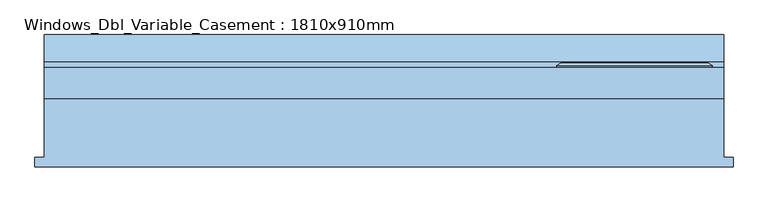
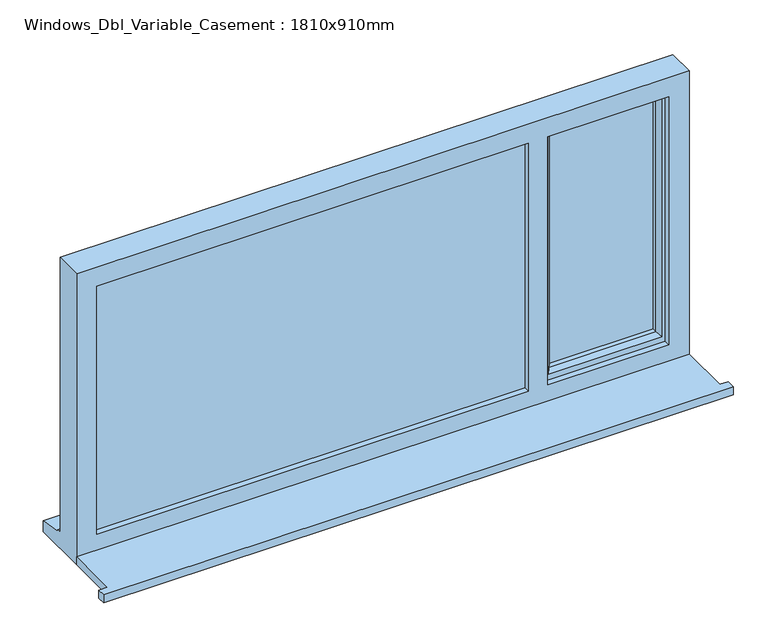
"""IFC4 building model written with IfcOpenShell, lengths in millimetres: window geometry, Windows_Dbl_Variable_Casement : 1810x910mm."""

from ifc_helpers import new_model, si_unit, frame, origin, place, context, project, spatial, polyline, outline, extrude, faceted_brep, source, transform, mapped, element, save


def windows_dbl_variable_casement_1810x910mm_0d547838(model_context):
    return source(origin(), model_context, "Body", "SolidModel", [
        extrude(outline(polyline([(-1215.0, -161.5434322), (-1215.0, -136.5434322), (-1190.0, -136.5434322), (-1190.0, 20.4565678), (620.0, 20.4565678), (620.0, -136.5434322), (645.0, -136.5434322), (645.0, -161.5434322), (-1215.0, -161.5434322)])), frame((0.0, 0.0, 1200.0), z_axis=(0.0, 0.0, 1.0), x_axis=(1.0, 0.0, 0.0)), (0.0, 0.0, 1.0), 25.0),
        extrude(outline(polyline([(550.0, 67.4565678), (215.0, 67.4565678), (215.0, 91.4565678), (550.0, 91.4565678), (550.0, 67.4565678)])), frame((0.0, 0.0, 1293.0), z_axis=(0.0, 0.0, 1.0), x_axis=(1.0, 0.0, 0.0)), (0.0, 0.0, 1.0), 747.0),
        extrude(outline(polyline([(-1150.0, 62.4565678), (155.0, 62.4565678), (155.0, 38.4565678), (-1150.0, 38.4565678), (-1150.0, 62.4565678)])), frame((0.0, 0.0, 1263.0), z_axis=(0.0, 0.0, 1.0), x_axis=(1.0, 0.0, 0.0)), (0.0, 0.0, 1.0), 807.0),
        faceted_brep([(620.0, 20.4565678, 2110.0), (-1190.0, 20.4565678, 2110.0), (-1190.0, 20.4565678, 1200.0), (620.0, 20.4565678, 1200.0), (560.0, 20.4565678, 2050.0), (560.0, 20.4565678, 1275.0), (203.0, 20.4565678, 1275.0), (203.0, 20.4565678, 2050.0), (145.0, 20.4565678, 2050.0), (145.0, 20.4565678, 1275.0), (-1130.0, 20.4565678, 1275.0), (-1130.0, 20.4565678, 2050.0), (-1190.0, 103.4565678, 2110.0), (-1190.0, 103.4565678, 1251.0), (-1190.0, 118.4565678, 1249.68767), (-1190.0, 118.4565678, 1244.7449676), (-1190.0, 190.9565678, 1233.8088847), (-1190.0, 190.9565678, 1200.0), (620.0, 103.4565678, 2110.0), (620.0, 103.4565678, 1251.0), (-1150.0, 103.4565678, 2070.0), (-1150.0, 103.4565678, 1263.0), (145.0, 103.4565678, 1263.0), (145.0, 103.4565678, 2070.0), (185.0, 103.4565678, 2070.0), (185.0, 103.4565678, 1263.0), (580.0, 103.4565678, 1263.0), (580.0, 103.4565678, 2070.0), (-1150.0, 38.4565678, 2070.0), (-1150.0, 38.4565678, 1263.0), (155.0, 38.4565678, 2070.0), (155.0, 38.4565678, 1263.0), (145.0, 38.4565678, 2050.0), (-1130.0, 38.4565678, 2050.0), (-1130.0, 38.4565678, 1275.0), (145.0, 38.4565678, 1275.0), (185.0, 38.4565678, 2070.0), (580.0, 38.4565678, 2070.0), (580.0, 38.4565678, 1263.0), (185.0, 38.4565678, 1263.0), (560.0, 38.4565678, 2050.0), (203.0, 38.4565678, 2050.0), (203.0, 38.4565678, 1275.0), (560.0, 38.4565678, 1275.0), (145.0, 62.4565678, 2070.0), (155.0, 62.4565678, 2070.0), (620.0, 190.9565678, 1200.0), (620.0, 190.9565678, 1233.8088847), (620.0, 118.4565678, 1244.7449676), (620.0, 118.4565678, 1249.68767), (155.0, 62.4565678, 1263.0), (145.0, 62.4565678, 1263.0)], [[[0, 1, 2, 3], [4, 5, 6, 7], [8, 9, 10, 11]], [[2, 1, 12, 13, 14, 15, 16, 17]], [[13, 12, 18, 19], [20, 21, 22, 23], [24, 25, 26, 27]], [[21, 20, 28, 29]], [[28, 30, 31, 29], [32, 33, 34, 35]], [[36, 37, 38, 39], [40, 41, 42, 43]], [[33, 11, 10, 34]], [[1, 0, 18, 12]], [[28, 20, 23, 44, 45, 30]], [[27, 37, 36, 24]], [[11, 33, 32, 8]], [[40, 4, 7, 41]], [[19, 18, 0, 3, 46, 47, 48, 49]], [[27, 26, 38, 37]], [[4, 40, 43, 5]], [[45, 50, 31, 30]], [[50, 45, 44, 51]], [[51, 44, 23, 22]], [[25, 24, 36, 39]], [[41, 7, 6, 42]], [[8, 32, 35, 9]], [[46, 3, 2, 17]], [[47, 46, 17, 16]], [[48, 47, 16, 15]], [[49, 48, 15, 14]], [[19, 49, 14, 13]], [[22, 21, 29, 31, 50, 51]], [[26, 25, 39, 38]], [[6, 5, 43, 42]], [[35, 34, 10, 9]]]),
        extrude(outline(polyline([(2050.0, 145.0), (2070.0, 145.0), (2070.0, -1150.0), (1263.0, -1150.0), (1263.0, 145.0), (1283.0, 145.0), (1283.0, -1130.0), (2050.0, -1130.0), (2050.0, 145.0)])), frame((0.0, 62.4565678, 0.0), z_axis=(0.0, 1.0, 0.0), x_axis=(0.0, 0.0, 1.0)), (0.0, 0.0, 1.0), 41.0),
        faceted_brep([(175.0, 103.4565678, 2080.0), (175.0, 109.2300705, 2080.0), (175.0, 109.2300705, 1253.0), (175.0, 103.4565678, 1253.0), (185.0, 38.4565678, 2070.0), (185.0, 103.4565678, 2070.0), (185.0, 103.4565678, 1263.0), (185.0, 38.4565678, 1263.0), (225.0, 52.9494677, 2030.0), (214.8519623, 38.4565678, 2040.1480377), (214.8519623, 38.4565678, 1292.8519623), (225.0, 52.9494677, 1303.0), (225.0, 67.4565678, 2030.0), (225.0, 67.4565678, 1303.0), (215.0, 91.4565678, 2040.0), (215.0, 67.4565678, 2040.0), (215.0, 67.4565678, 1293.0), (215.0, 91.4565678, 1293.0), (225.0, 109.2300705, 2030.0), (225.0, 91.4565678, 2030.0), (225.0, 91.4565678, 1303.0), (225.0, 109.2300705, 1303.0), (207.5542452, 115.0035732, 2047.4457548), (207.5542452, 115.0035732, 1285.5542452), (185.7846097, 115.0035732, 2069.2153903), (185.7846097, 115.0035732, 1263.7846097), (590.0, 109.2300705, 1253.0), (590.0, 103.4565678, 1253.0), (580.0, 103.4565678, 1263.0), (580.0, 38.4565678, 1263.0), (550.1480377, 38.4565678, 1292.8519623), (540.0, 52.9494677, 1303.0), (540.0, 67.4565678, 1303.0), (550.0, 67.4565678, 1293.0), (550.0, 91.4565678, 1293.0), (540.0, 91.4565678, 1303.0), (540.0, 109.2300705, 1303.0), (557.4457548, 115.0035732, 1285.5542452), (579.2153903, 115.0035732, 1263.7846097), (590.0, 109.2300705, 2080.0), (590.0, 103.4565678, 2080.0), (580.0, 103.4565678, 2070.0), (580.0, 38.4565678, 2070.0), (550.1480377, 38.4565678, 2040.1480377), (540.0, 52.9494677, 2030.0), (540.0, 67.4565678, 2030.0), (550.0, 67.4565678, 2040.0), (550.0, 91.4565678, 2040.0), (540.0, 91.4565678, 2030.0), (540.0, 109.2300705, 2030.0), (557.4457548, 115.0035732, 2047.4457548), (579.2153903, 115.0035732, 2069.2153903)], [[[0, 1, 2, 3]], [[4, 5, 6, 7]], [[8, 9, 10, 11]], [[12, 8, 11, 13]], [[14, 15, 16, 17]], [[18, 19, 20, 21]], [[22, 18, 21, 23]], [[1, 24, 25, 2]], [[3, 2, 26, 27]], [[7, 6, 28, 29]], [[11, 10, 30, 31]], [[13, 11, 31, 32]], [[17, 16, 33, 34]], [[21, 20, 35, 36]], [[23, 21, 36, 37]], [[2, 25, 38, 26]], [[27, 26, 39, 40]], [[29, 28, 41, 42]], [[31, 30, 43, 44]], [[32, 31, 44, 45]], [[34, 33, 46, 47]], [[36, 35, 48, 49]], [[37, 36, 49, 50]], [[26, 38, 51, 39]], [[40, 39, 1, 0]], [[3, 27, 40, 0], [5, 41, 28, 6]], [[42, 41, 5, 4]], [[7, 29, 42, 4], [9, 43, 30, 10]], [[44, 43, 9, 8]], [[45, 44, 8, 12]], [[15, 46, 33, 16], [13, 32, 45, 12]], [[47, 46, 15, 14]], [[17, 34, 47, 14], [19, 48, 35, 20]], [[49, 48, 19, 18]], [[50, 49, 18, 22]], [[24, 51, 38, 25], [23, 37, 50, 22]], [[39, 51, 24, 1]]]),
    ])


if __name__ == "__main__":
    model = new_model("IFC4")
    model_context = context("Model", 3, world=origin())
    ifc_project = project(units=[si_unit("LENGTHUNIT", "METRE", prefix="MILLI")], contexts=[model_context])
    site = spatial("IfcSite", under=ifc_project)
    building = spatial("IfcBuilding", under=site)
    placement = place(None, origin())
    windows_dbl_variable_casement_1810x910mm_shape = windows_dbl_variable_casement_1810x910mm_0d547838(model_context)
    element("IfcWindow", 1, ObjectType="Windows_Dbl_Variable_Casement : 1810x910mm", at=placement, inside=building, context=model_context, shape_type="MappedRepresentation", body=[
        mapped(windows_dbl_variable_casement_1810x910mm_shape, transform((0.0, 0.0, 0.0), x_axis=(1.0, 0.0, 0.0), y_axis=(0.0, 1.0, 0.0), z_axis=(0.0, 0.0, 1.0))),
    ])
    save(model, "model.ifc")
